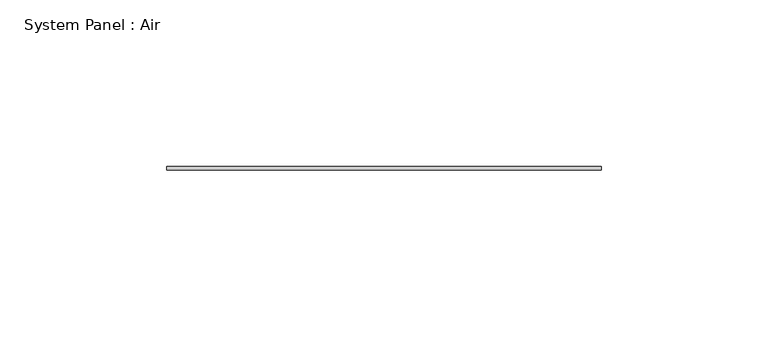
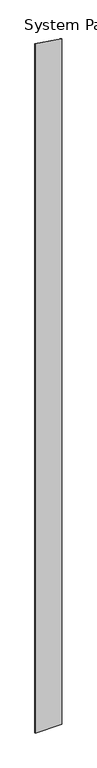
"""IFC4 building model written with IfcOpenShell, lengths in millimetres: plate geometry, System Panel : Air."""

from ifc_helpers import new_model, si_unit, frame, origin, place, context, project, spatial, polyline, outline, extrude, source, transform, mapped, element, save


def system_panel_air_659cd48b(model_context):
    return source(origin(), model_context, "Body", "SweptSolid", [
        extrude(outline(polyline([(0.0, -65.0), (0.0, 65.0), (3511.8506549, 65.0), (3531.1044625, -65.0), (0.0, -65.0)])), frame((0.0, 36.5, 0.0), z_axis=(0.0, 1.0, 0.0), x_axis=(0.0, 0.0, 1.0)), (0.0, 0.0, 1.0), 1.0),
    ])


if __name__ == "__main__":
    model = new_model("IFC4")
    model_context = context("Model", 3, world=origin())
    ifc_project = project(units=[si_unit("LENGTHUNIT", "METRE", prefix="MILLI")], contexts=[model_context])
    site = spatial("IfcSite", under=ifc_project)
    building = spatial("IfcBuilding", under=site)
    placement = place(None, origin())
    system_panel_air_shape = system_panel_air_659cd48b(model_context)
    element("IfcPlate", 1, ObjectType="System Panel : Air", at=placement, inside=building, context=model_context, shape_type="MappedRepresentation", body=[
        mapped(system_panel_air_shape, transform((0.0, 0.0, 0.0), x_axis=(1.0, 0.0, 0.0), y_axis=(0.0, 1.0, 0.0), z_axis=(0.0, 0.0, 1.0))),
    ])
    save(model, "model.ifc")
